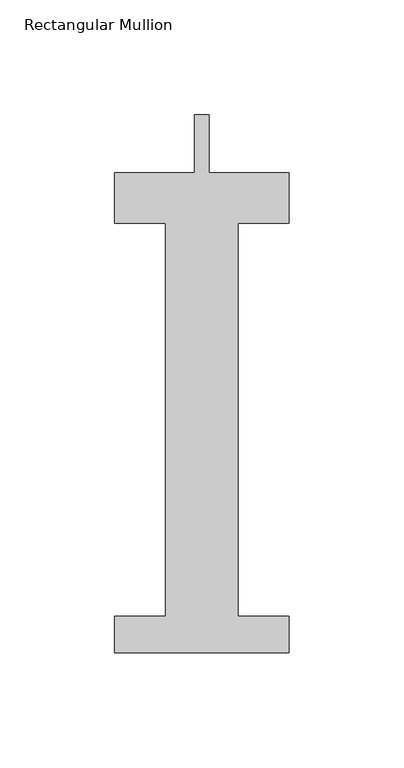
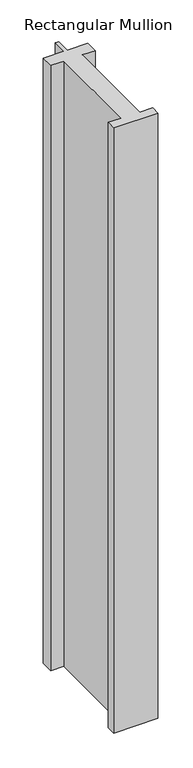
"""IFC4 building model written with IfcOpenShell, lengths in millimetres: member geometry, Rectangular Mullion."""

from ifc_helpers import new_model, si_unit, frame, origin, place, context, project, spatial, polyline, outline, extrude, source, transform, mapped, element, save


def rectangular_mullion_0539440b(model_context):
    return source(origin(), model_context, "Body", "SweptSolid", [
        extrude(outline(polyline([(38.1, -221.996), (-38.1, -221.996), (-38.1, -206.121), (-15.875, -206.121), (-15.875, -34.671), (-38.1, -34.671), (-38.1, -12.7), (-3.175, -12.7), (-3.175, 12.7), (3.175, 12.7), (3.175, -12.7), (38.1, -12.7), (38.1, -34.671), (15.875, -34.671), (15.875, -206.121), (38.1, -206.121), (38.1, -221.996)])), frame((0.0, 0.0, -1101.725), z_axis=(0.0, 0.0, 1.0), x_axis=(1.0, 0.0, 0.0)), (0.0, 0.0, 1.0), 1101.725),
    ])


if __name__ == "__main__":
    model = new_model("IFC4")
    model_context = context("Model", 3, world=origin())
    ifc_project = project(units=[si_unit("LENGTHUNIT", "METRE", prefix="MILLI")], contexts=[model_context])
    site = spatial("IfcSite", under=ifc_project)
    building = spatial("IfcBuilding", under=site)
    placement = place(None, origin())
    rectangular_mullion_shape = rectangular_mullion_0539440b(model_context)
    element("IfcMember", 1, ObjectType="Rectangular Mullion", at=placement, inside=building, context=model_context, shape_type="MappedRepresentation", body=[
        mapped(rectangular_mullion_shape, transform((0.0, 0.0, 0.0), x_axis=(1.0, 0.0, 0.0), y_axis=(0.0, 1.0, 0.0), z_axis=(0.0, 0.0, 1.0))),
    ])
    save(model, "model.ifc")
